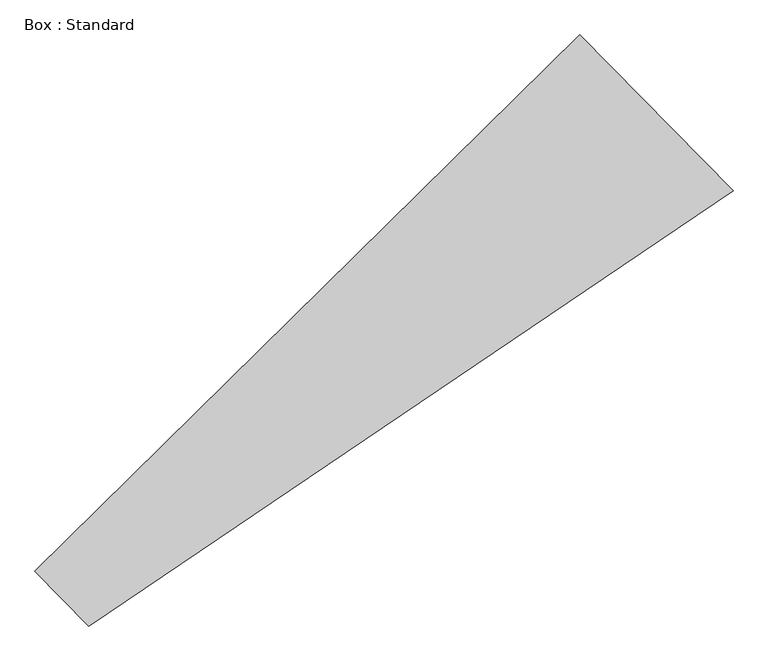
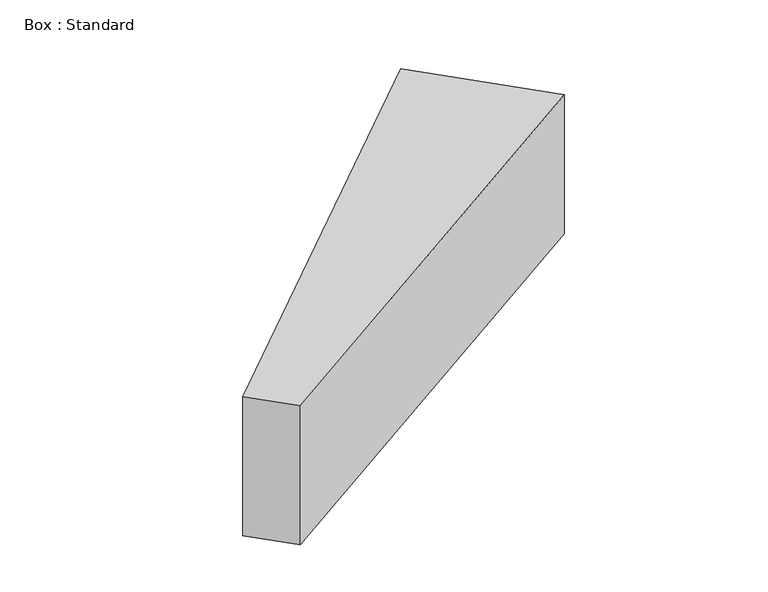
"""IFC4 building model written with IfcOpenShell, lengths in millimetres: plate geometry, Box : Standard."""

from ifc_helpers import new_model, si_unit, frame, origin, place, context, project, spatial, polyline, outline, extrude, source, transform, mapped, element, save


def box_standard_311005b6(model_context):
    return source(origin(), model_context, "Body", "SweptSolid", [
        extrude(outline(polyline([(3063.2694578, 3063.2694578), (2762.3532444, 3369.0003307), (5803.5708721, 6362.324767), (6658.8064256, 5493.4054445), (3063.2694578, 3063.2694578)])), frame((0.0, 0.0, -1219.2), z_axis=(0.0, 0.0, 1.0), x_axis=(1.0, 0.0, 0.0)), (0.0, 0.0, 1.0), 1219.2),
    ])


if __name__ == "__main__":
    model = new_model("IFC4")
    model_context = context("Model", 3, world=origin())
    ifc_project = project(units=[si_unit("LENGTHUNIT", "METRE", prefix="MILLI")], contexts=[model_context])
    site = spatial("IfcSite", under=ifc_project)
    building = spatial("IfcBuilding", under=site)
    placement = place(None, origin())
    box_standard_shape = box_standard_311005b6(model_context)
    element("IfcPlate", 1, ObjectType="Box : Standard", at=placement, inside=building, context=model_context, shape_type="MappedRepresentation", body=[
        mapped(box_standard_shape, transform((0.0, 0.0, 0.0), x_axis=(1.0, 0.0, 0.0), y_axis=(0.0, 1.0, 0.0), z_axis=(0.0, 0.0, 1.0))),
    ])
    save(model, "model.ifc")
